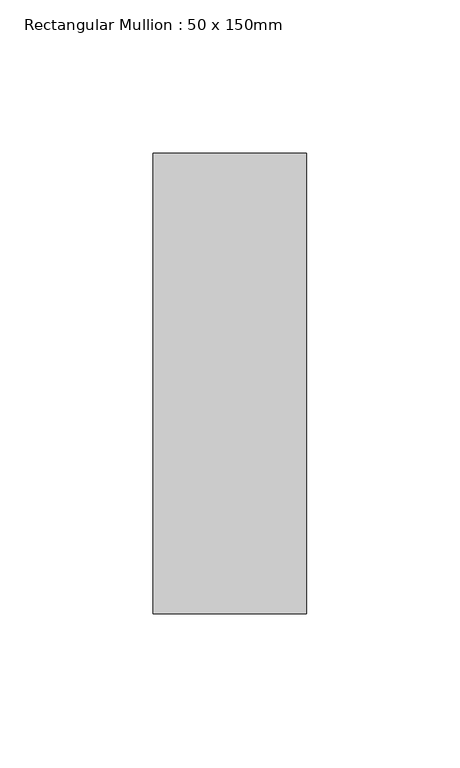
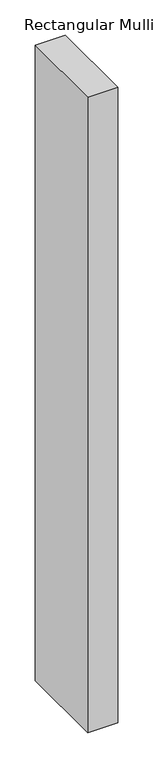
"""IFC4 building model written with IfcOpenShell, lengths in millimetres: member geometry, Rectangular Mullion : 50 x 150mm."""

from ifc_helpers import new_model, si_unit, frame, origin, place, context, project, spatial, polyline, outline, extrude, source, transform, mapped, element, save


def rectangular_mullion_50_x_150mm_cb00efd2(model_context):
    return source(origin(), model_context, "Body", "SweptSolid", [
        extrude(outline(polyline([(0.0, 75.0), (0.0, -75.0), (-50.0, -75.0), (-50.0, 75.0), (0.0, 75.0)])), frame((0.0, 0.0, -1107.487152), z_axis=(0.0, 0.0, 1.0), x_axis=(1.0, 0.0, 0.0)), (0.0, 0.0, 1.0), 1107.487152),
    ])


if __name__ == "__main__":
    model = new_model("IFC4")
    model_context = context("Model", 3, world=origin())
    ifc_project = project(units=[si_unit("LENGTHUNIT", "METRE", prefix="MILLI")], contexts=[model_context])
    site = spatial("IfcSite", under=ifc_project)
    building = spatial("IfcBuilding", under=site)
    placement = place(None, origin())
    rectangular_mullion_50_x_150mm_shape = rectangular_mullion_50_x_150mm_cb00efd2(model_context)
    element("IfcMember", 1, ObjectType="Rectangular Mullion : 50 x 150mm", at=placement, inside=building, context=model_context, shape_type="MappedRepresentation", body=[
        mapped(rectangular_mullion_50_x_150mm_shape, transform((0.0, 0.0, 0.0), x_axis=(1.0, 0.0, 0.0), y_axis=(0.0, 1.0, 0.0), z_axis=(0.0, 0.0, 1.0))),
    ])
    save(model, "model.ifc")
